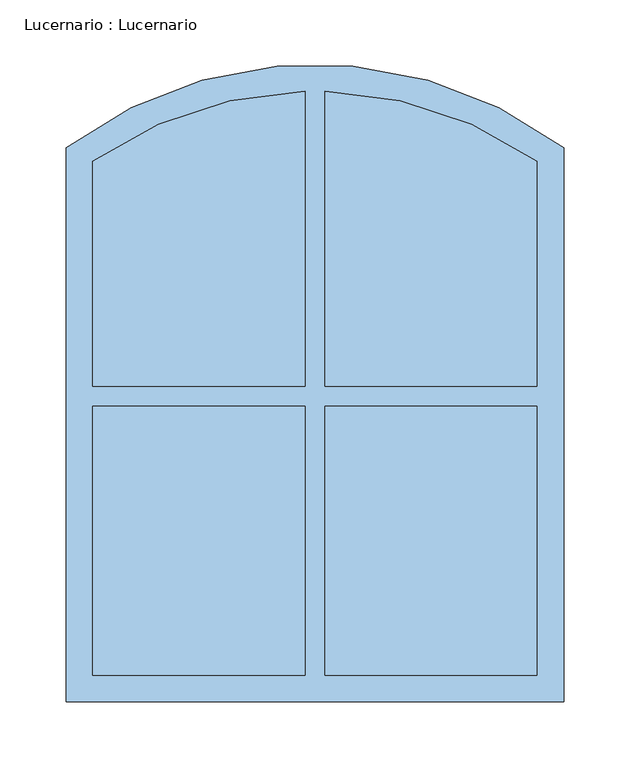
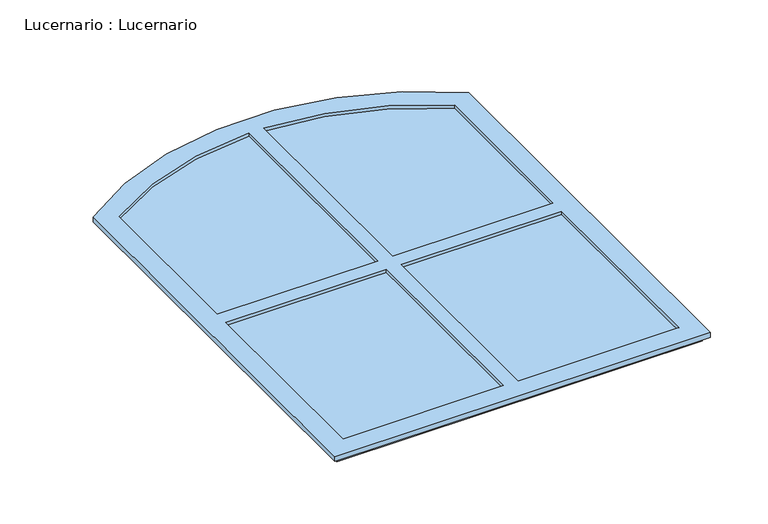
"""IFC4 building model written with IfcOpenShell, lengths in millimetres: window geometry, Lucernario : Lucernario."""

from ifc_helpers import new_model, si_unit, point, frame, frame_2d, origin, place, context, project, spatial, polyline, circle_curve, trimmed, segment, composite_curve, outline, extrude, source, transform, mapped, element, save
from ifc_brep_helpers import plane_surface, cylinder_surface, revolved_surface, advanced_brep


def lucernario_lucernario_e3828031(model_context):
    return source(origin(), model_context, "Body", "SolidModel", [
        advanced_brep(
        [(-7.5, -220.0, 4080.0), (-7.5, -17.5, 4080.0), (-7.5, -17.5, 4070.0), (-7.5, -220.0, 4070.0), (-7.5, 219.9038475, 4070.0), (-7.5, -2.5, 4070.0), (-7.5, -2.5, 4080.0), (-7.5, 219.9038475, 4080.0), (7.5, 219.9038475, 4080.0), (7.5, -2.5, 4080.0), (7.5, -2.5, 4070.0), (7.5, 219.9038475, 4070.0), (7.5, -220.0, 4070.0), (7.5, -17.5, 4070.0), (7.5, -17.5, 4080.0), (7.5, -220.0, 4080.0), (-182.5, -235.0, 4070.0), (182.5, -235.0, 4070.0), (182.5, -235.0, 4075.0), (-182.5, -235.0, 4075.0), (-187.5, -240.0, 4075.0), (187.5, -240.0, 4075.0), (187.5, -240.0, 4080.0), (-187.5, -240.0, 4080.0), (-167.5, -220.0, 4080.0), (-167.5, -220.0, 4070.0), (167.5, -220.0, 4070.0), (167.5, -220.0, 4080.0), (182.5, 175.0, 4070.0), (182.5, 175.0, 4075.0), (187.5, 177.5130178, 4075.0), (187.5, 177.5130178, 4080.0), (167.5, -17.5, 4080.0), (167.5, -17.5, 4070.0), (167.5, 167.3030218, 4070.0), (167.5, -2.5, 4070.0), (167.5, -2.5, 4080.0), (167.5, 167.3030218, 4080.0), (-182.5, 175.0, 4070.0), (-182.5, 175.0, 4075.0), (-187.5, 177.5130178, 4075.0), (-187.5, 177.5130178, 4080.0), (-167.5, -17.5, 4080.0), (-167.5, -2.5, 4080.0), (-167.5, 167.3030218, 4080.0), (-167.5, 167.3030218, 4070.0), (-167.5, -2.5, 4070.0), (-167.5, -17.5, 4070.0)],
        [
            (0, 1),
            (1, 2),
            (2, 3),
            (3, 0),
            (4, 5),
            (5, 6),
            (6, 7),
            (7, 4),
            (8, 9),
            (9, 10),
            (10, 11),
            (11, 8),
            (12, 13),
            (13, 14),
            (14, 15),
            (15, 12),
            (16, 17),
            (17, 18),
            (18, 19),
            (19, 16),
            (20, 21),
            (21, 22),
            (22, 23),
            (23, 20),
            (24, 0),
            (3, 25),
            (25, 24),
            (26, 12),
            (15, 27),
            (27, 26),
            (17, 28),
            (28, 29),
            (29, 18),
            (21, 30),
            (30, 31),
            (31, 22),
            (27, 32),
            (32, 33),
            (33, 26),
            (34, 35),
            (35, 36),
            (36, 37),
            (37, 34),
            (28, 38, circle_curve(frame((0.0, -72.5520833, 4070.0), z_axis=(0.0, 0.0, 1.0), x_axis=(0.5933954276037426, 0.804911092294653, 0.0)), 307.5520833)),
            (38, 39),
            (39, 29, circle_curve(frame((0.0, -72.5520833, 4075.0), z_axis=(0.0, 0.0, -1.0), x_axis=(0.5933954276037426, 0.804911092294653, 0.0)), 307.5520833)),
            (20, 40),
            (40, 30, circle_curve(frame((0.0, -72.5520833, 4075.0), z_axis=(0.0, 0.0, -1.0), x_axis=(0.5933954276037426, 0.804911092294653, 0.0)), 312.5520833)),
            (39, 19),
            (40, 41),
            (41, 31, circle_curve(frame((0.0, -72.5520833, 4080.0), z_axis=(0.0, 0.0, -1.0), x_axis=(0.5933954276037426, 0.804911092294653, 0.0)), 312.5520833)),
            (41, 23),
            (24, 42),
            (42, 1),
            (14, 32),
            (36, 9),
            (8, 37, circle_curve(frame((0.0, -72.5520833, 4080.0), z_axis=(0.0, 0.0, -1.0), x_axis=(0.5933954276037426, 0.804911092294653, 0.0)), 292.5520833)),
            (6, 43),
            (43, 44),
            (44, 7, circle_curve(frame((0.0, -72.5520833, 4080.0), z_axis=(0.0, 0.0, -1.0), x_axis=(0.5933954276037426, 0.804911092294653, 0.0)), 292.5520833)),
            (11, 34, circle_curve(frame((0.0, -72.5520833, 4070.0), z_axis=(0.0, 0.0, -1.0), x_axis=(0.5933954276037426, 0.804911092294653, 0.0)), 292.5520833)),
            (45, 4, circle_curve(frame((0.0, -72.5520833, 4070.0), z_axis=(0.0, 0.0, -1.0), x_axis=(0.5933954276037426, 0.804911092294653, 0.0)), 292.5520833)),
            (44, 45),
            (16, 38),
            (33, 13),
            (10, 35),
            (45, 46),
            (46, 5),
            (2, 47),
            (47, 25),
            (43, 46),
            (47, 42),
        ],
        [
            plane_surface(frame((-7.5, 223.6048067, 4080.0), z_axis=(-1.0, 0.0, 0.0), x_axis=(0.0, -1.0, 0.0))),
            plane_surface(frame((7.5, 223.6048067, 4070.0), z_axis=(1.0, 0.0, 0.0), x_axis=(0.0, -1.0, 0.0))),
            plane_surface(frame((-182.5, -235.0, 4075.0), z_axis=(0.0, -1.0, 0.0), x_axis=(1.0, 0.0, 0.0))),
            plane_surface(frame((-187.5, -240.0, 4080.0), z_axis=(0.0, -1.0, 0.0), x_axis=(1.0, 0.0, 0.0))),
            plane_surface(frame((-167.5, -220.0, 4070.0), z_axis=(0.0, 1.0, 0.0), x_axis=(1.0, 0.0, 0.0))),
            plane_surface(frame((182.5, -235.0, 4075.0), z_axis=(1.0, 0.0, 0.0), x_axis=(0.0, 1.0, 0.0))),
            plane_surface(frame((187.5, -240.0, 4080.0), z_axis=(1.0, 0.0, 0.0), x_axis=(0.0, 1.0, 0.0))),
            plane_surface(frame((167.5, -220.0, 4070.0), z_axis=(-1.0, 0.0, 0.0), x_axis=(0.0, 1.0, 0.0))),
            cylinder_surface(frame((0.0, -72.5520833, 4000.0), z_axis=(0.0, 0.0, -1.0), x_axis=(0.5933954276037426, 0.804911092294653, 0.0)), 307.5520833),
            plane_surface(frame((0.0, -72.5520833, 4075.0), z_axis=(0.0, 0.0, -1.0), x_axis=(0.5933954276037426, 0.804911092294653, 0.0))),
            cylinder_surface(frame((0.0, -72.5520833, 4000.0), z_axis=(0.0, 0.0, -1.0), x_axis=(0.5933954276037426, 0.804911092294653, 0.0)), 312.5520833),
            plane_surface(frame((0.0, -72.5520833, 4080.0), z_axis=(0.0, 0.0, 1.0), x_axis=(0.5933954276037426, 0.804911092294653, 0.0))),
            revolved_surface(polyline([(173.59906856616922, 162.9263336220793, 4070.0), (173.59906856616922, 162.9263336220793, 4080.0)]), (0.0, -72.5520833, 4000.0), (0.0, 0.0, -1.0)),
            plane_surface(frame((0.0, -72.5520833, 4070.0), z_axis=(0.0, 0.0, -1.0), x_axis=(0.5933954276037426, 0.804911092294653, 0.0))),
            plane_surface(frame((-182.5, 175.0, 4075.0), z_axis=(-1.0, 0.0, 0.0), x_axis=(0.0, -1.0, 0.0))),
            plane_surface(frame((-187.5, 177.5130178, 4080.0), z_axis=(-1.0, 0.0, 0.0), x_axis=(0.0, -1.0, 0.0))),
            plane_surface(frame((-167.5, 167.3030218, 4070.0), z_axis=(1.0, 0.0, 0.0), x_axis=(0.0, -1.0, 0.0))),
            plane_surface(frame((167.5, -17.5, 4070.0), z_axis=(0.0, -1.0, 0.0), x_axis=(-1.0, 0.0, 0.0))),
            plane_surface(frame((167.5, -2.5, 4080.0), z_axis=(0.0, 1.0, 0.0), x_axis=(-1.0, 0.0, 0.0))),
        ],
        [
            (0, [[1, 2, 3, 4]]),
            (0, [[5, 6, 7, 8]]),
            (1, [[9, 10, 11, 12]]),
            (1, [[13, 14, 15, 16]]),
            (2, [[17, 18, 19, 20]]),
            (3, [[21, 22, 23, 24]]),
            (4, [[25, -4, 26, 27]]),
            (4, [[28, -16, 29, 30]]),
            (5, [[31, 32, 33, -18]]),
            (6, [[34, 35, 36, -22]]),
            (7, [[37, 38, 39, -30]]),
            (7, [[40, 41, 42, 43]]),
            (8, [[44, 45, 46, -32]]),
            (9, [[47, 48, -34, -21], [-33, -46, 49, -19]]),
            (10, [[-48, 50, 51, -35]]),
            (11, [[-36, -51, 52, -23], [-25, 53, 54, -1], [-29, -15, 55, -37], [-42, 56, -9, 57], [-7, 58, 59, 60]]),
            (12, [[-57, -12, 61, -43]]),
            (12, [[62, -8, -60, 63]]),
            (13, [[64, -44, -31, -17], [-39, 65, -13, -28], [-61, -11, 66, -40], [-62, 67, 68, -5], [-3, 69, 70, -26]]),
            (14, [[-49, -45, -64, -20]]),
            (15, [[-52, -50, -47, -24]]),
            (16, [[-59, 71, -67, -63]]),
            (16, [[-70, 72, -53, -27]]),
            (17, [[-2, -54, -72, -69]]),
            (17, [[-14, -65, -38, -55]]),
            (18, [[-41, -66, -10, -56]]),
            (18, [[-71, -58, -6, -68]]),
        ],
    ),
        extrude(outline(composite_curve([segment(trimmed(circle_curve(frame_2d((0.0, -72.5520833)), 292.5520833), [point((7.5, 219.9038475))], [point((167.5, 167.3030218))], False, "CARTESIAN"), True, "CONTINUOUS"), segment(polyline([(167.5, 167.3030218), (167.5, -2.5), (7.5, -2.5), (7.5, 219.9038475)]), True, "CONTINUOUS")], self_intersect=False)), frame((0.0, 0.0, 4073.0), z_axis=(0.0, 0.0, 1.0), x_axis=(1.0, 0.0, 0.0)), (0.0, 0.0, 1.0), 4.0),
        extrude(outline(composite_curve([segment(polyline([(-7.5, -2.5), (-167.5, -2.5), (-167.5, 167.3030218)]), True, "CONTINUOUS"), segment(trimmed(circle_curve(frame_2d((0.0, -72.5520833)), 292.5520833), [point((-167.5, 167.3030218))], [point((-7.5, 219.9038475))], False, "CARTESIAN"), True, "CONTINUOUS"), segment(polyline([(-7.5, 219.9038475), (-7.5, -2.5)]), True, "CONTINUOUS")], self_intersect=False)), frame((0.0, 0.0, 4073.0), z_axis=(0.0, 0.0, 1.0), x_axis=(1.0, 0.0, 0.0)), (0.0, 0.0, 1.0), 4.0),
        extrude(outline(polyline([(-167.5, -17.5), (-7.5, -17.5), (-7.5, -220.0), (-167.5, -220.0), (-167.5, -17.5)])), frame((0.0, 0.0, 4073.0), z_axis=(0.0, 0.0, 1.0), x_axis=(1.0, 0.0, 0.0)), (0.0, 0.0, 1.0), 4.0),
        extrude(outline(polyline([(7.5, -17.5), (167.5, -17.5), (167.5, -220.0), (7.5, -220.0), (7.5, -17.5)])), frame((0.0, 0.0, 4073.0), z_axis=(0.0, 0.0, 1.0), x_axis=(1.0, 0.0, 0.0)), (0.0, 0.0, 1.0), 4.0),
    ])


if __name__ == "__main__":
    model = new_model("IFC4")
    model_context = context("Model", 3, world=origin())
    ifc_project = project(units=[si_unit("LENGTHUNIT", "METRE", prefix="MILLI")], contexts=[model_context])
    site = spatial("IfcSite", under=ifc_project)
    building = spatial("IfcBuilding", under=site)
    placement = place(None, origin())
    lucernario_lucernario_shape = lucernario_lucernario_e3828031(model_context)
    element("IfcWindow", 1, ObjectType="Lucernario : Lucernario", at=placement, inside=building, context=model_context, shape_type="MappedRepresentation", body=[
        mapped(lucernario_lucernario_shape, transform((0.0, 0.0, 0.0), x_axis=(1.0, 0.0, 0.0), y_axis=(0.0, 1.0, 0.0), z_axis=(0.0, 0.0, 1.0))),
    ])
    save(model, "model.ifc")
